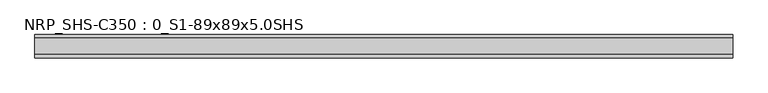
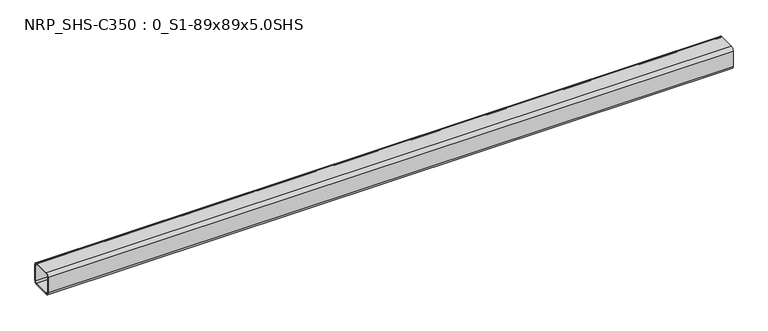
"""IFC4 building model written with IfcOpenShell, lengths in millimetres: beam geometry, NRP_SHS-C350 : 0_S1-89x89x5.0SHS."""

from ifc_helpers import new_model, si_unit, point, frame, frame_2d, origin, place, context, project, spatial, polyline, circle_curve, trimmed, segment, composite_curve, outline, extrude, source, transform, mapped, element, save


def nrp_shs_c350_0_s1_89x89x5_0shs_911dccfd(model_context):
    return source(origin(), model_context, "Body", "SweptSolid", [
        extrude(outline(composite_curve([segment(trimmed(circle_curve(frame_2d((-32.0, 32.0)), 12.5), [point((-44.5, 32.0))], [point((-32.0, 44.5))], False, "CARTESIAN"), True, "CONTINUOUS"), segment(polyline([(-32.0, 44.5), (32.0, 44.5)]), True, "CONTINUOUS"), segment(trimmed(circle_curve(frame_2d((32.0, 32.0)), 12.5), [point((32.0, 44.5))], [point((44.5, 32.0))], False, "CARTESIAN"), True, "CONTINUOUS"), segment(polyline([(44.5, 32.0), (44.5, -32.0)]), True, "CONTINUOUS"), segment(trimmed(circle_curve(frame_2d((32.0, -32.0)), 12.5), [point((44.5, -32.0))], [point((32.0, -44.5))], False, "CARTESIAN"), True, "CONTINUOUS"), segment(polyline([(32.0, -44.5), (-32.0, -44.5)]), True, "CONTINUOUS"), segment(trimmed(circle_curve(frame_2d((-32.0, -32.0)), 12.5), [point((-32.0, -44.5))], [point((-44.5, -32.0))], False, "CARTESIAN"), True, "CONTINUOUS"), segment(polyline([(-44.5, -32.0), (-44.5, 32.0)]), True, "CONTINUOUS")], self_intersect=False), holes=[composite_curve([segment(polyline([(32.0, 39.5), (-32.0, 39.5)]), True, "CONTINUOUS"), segment(trimmed(circle_curve(frame_2d((-32.0, 32.0)), 7.5), [point((-32.0, 39.5))], [point((-39.5, 32.0))], True, "CARTESIAN"), True, "CONTINUOUS"), segment(polyline([(-39.5, 32.0), (-39.5, -32.0)]), True, "CONTINUOUS"), segment(trimmed(circle_curve(frame_2d((-32.0, -32.0)), 7.5), [point((-39.5, -32.0))], [point((-32.0, -39.5))], True, "CARTESIAN"), True, "CONTINUOUS"), segment(polyline([(-32.0, -39.5), (32.0, -39.5)]), True, "CONTINUOUS"), segment(trimmed(circle_curve(frame_2d((32.0, -32.0)), 7.5), [point((32.0, -39.5))], [point((39.5, -32.0))], True, "CARTESIAN"), True, "CONTINUOUS"), segment(polyline([(39.5, -32.0), (39.5, 32.0)]), True, "CONTINUOUS"), segment(trimmed(circle_curve(frame_2d((32.0, 32.0)), 7.5), [point((39.5, 32.0))], [point((32.0, 39.5))], True, "CARTESIAN"), True, "CONTINUOUS")], self_intersect=False)]), frame((-1272.0, 0.0, 0.0), z_axis=(1.0, 0.0, 0.0), x_axis=(0.0, 1.0, 0.0)), (0.0, 0.0, 1.0), 2668.0),
    ])


if __name__ == "__main__":
    model = new_model("IFC4")
    model_context = context("Model", 3, world=origin())
    ifc_project = project(units=[si_unit("LENGTHUNIT", "METRE", prefix="MILLI")], contexts=[model_context])
    site = spatial("IfcSite", under=ifc_project)
    building = spatial("IfcBuilding", under=site)
    placement = place(None, origin())
    nrp_shs_c350_0_s1_89x89x5_0shs_shape = nrp_shs_c350_0_s1_89x89x5_0shs_911dccfd(model_context)
    element("IfcBeam", 1, ObjectType="NRP_SHS-C350 : 0_S1-89x89x5.0SHS", at=placement, inside=building, context=model_context, shape_type="MappedRepresentation", body=[
        mapped(nrp_shs_c350_0_s1_89x89x5_0shs_shape, transform((0.0, 0.0, 0.0), x_axis=(1.0, 0.0, 0.0), y_axis=(0.0, 1.0, 0.0), z_axis=(0.0, 0.0, 1.0))),
    ])
    save(model, "model.ifc")
